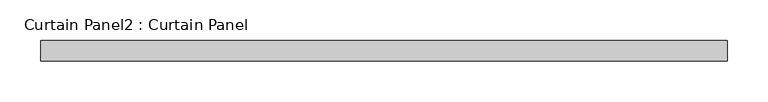
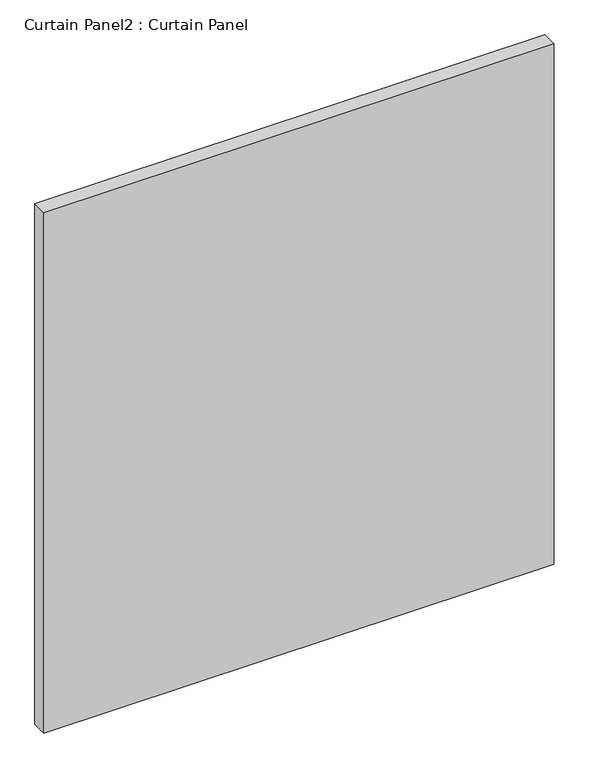
"""IFC4 building model written with IfcOpenShell, lengths in millimetres: plate geometry, Curtain Panel2 : Curtain Panel."""

from ifc_helpers import new_model, si_unit, frame, origin, place, context, project, spatial, polyline, outline, extrude, source, transform, mapped, element, save


def curtain_panel2_curtain_panel_cd5cee4f(model_context):
    return source(origin(), model_context, "Body", "SweptSolid", [
        extrude(outline(polyline([(-13601.5010393, 2085.8025004), (-14445.6207859, 2085.8025004), (-14445.6207859, 2111.2025004), (-13601.5010393, 2111.2025004), (-13601.5010393, 2085.8025004)])), frame((0.0, 0.0, 558.5067937), z_axis=(0.0, 0.0, 1.0), x_axis=(1.0, 0.0, 0.0)), (0.0, 0.0, 1.0), 909.6132095),
    ])


if __name__ == "__main__":
    model = new_model("IFC4")
    model_context = context("Model", 3, world=origin())
    ifc_project = project(units=[si_unit("LENGTHUNIT", "METRE", prefix="MILLI")], contexts=[model_context])
    site = spatial("IfcSite", under=ifc_project)
    building = spatial("IfcBuilding", under=site)
    placement = place(None, origin())
    curtain_panel2_curtain_panel_shape = curtain_panel2_curtain_panel_cd5cee4f(model_context)
    element("IfcPlate", 1, ObjectType="Curtain Panel2 : Curtain Panel", at=placement, inside=building, context=model_context, shape_type="MappedRepresentation", body=[
        mapped(curtain_panel2_curtain_panel_shape, transform((0.0, 0.0, 0.0), x_axis=(1.0, 0.0, 0.0), y_axis=(0.0, 1.0, 0.0), z_axis=(0.0, 0.0, 1.0))),
    ])
    save(model, "model.ifc")
